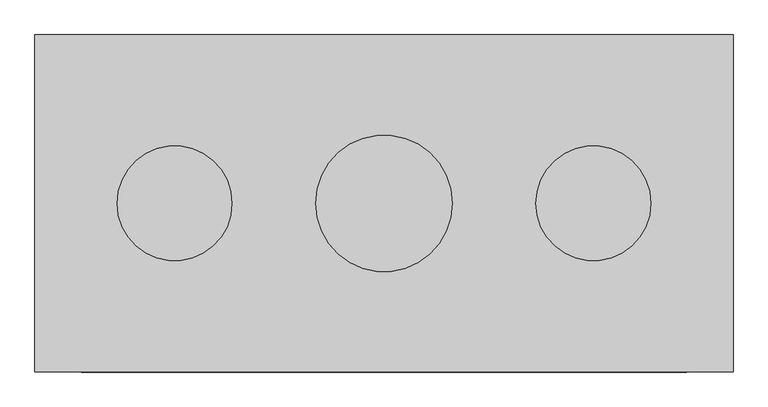
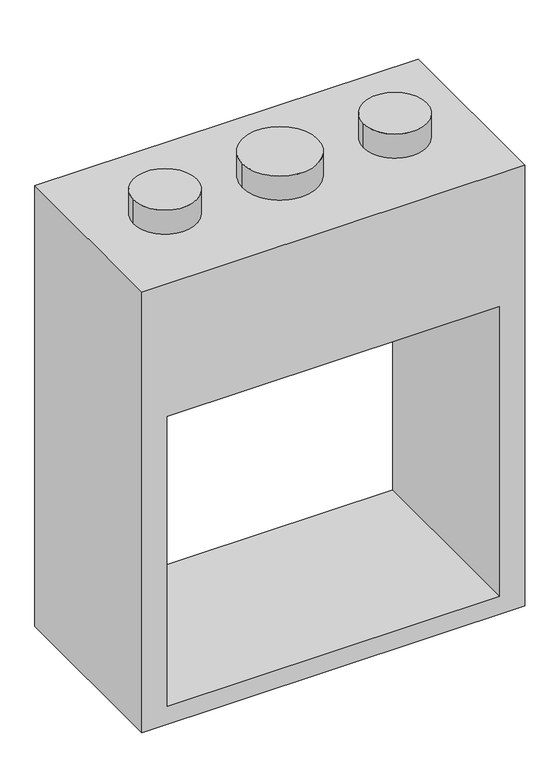
"""IFC4 building model written with IfcOpenShell, lengths in millimetres: proxy geometry."""

from ifc_helpers import new_model, si_unit, point, frame, frame_2d, origin, origin_2d, place, context, project, spatial, polyline, circle_curve, trimmed, segment, composite_curve, outline, extrude, source, transform, mapped, element, save


def generic_models_3b79a145(model_context):
    return source(origin(), model_context, "Body", "SweptSolid", [
        extrude(outline(polyline([(1854.2, 762.0), (1854.2, -762.0), (0.0, -762.0), (0.0, 762.0), (1854.2, 762.0)]), holes=[polyline([(1295.4, -660.4), (1295.4, 660.4), (76.2, 660.4), (76.2, -660.4), (1295.4, -660.4)])]), frame((0.0, -368.3, 0.0), z_axis=(0.0, 1.0, 0.0), x_axis=(0.0, 0.0, 1.0)), (0.0, 0.0, 1.0), 736.6),
        extrude(outline(composite_curve([segment(trimmed(circle_curve(frame_2d((-457.2, 0.0)), 125.4125), [point((-582.6125, 0.0))], [point((-331.7875, 0.0))], False, "CARTESIAN"), True, "CONTINUOUS"), segment(trimmed(circle_curve(frame_2d((-457.2, 0.0)), 125.4125), [point((-331.7875, 0.0))], [point((-582.6125, 0.0))], False, "CARTESIAN"), True, "CONTINUOUS")], self_intersect=False)), frame((0.0, 0.0, 1854.2), z_axis=(0.0, 0.0, 1.0), x_axis=(1.0, 0.0, 0.0)), (0.0, 0.0, 1.0), 101.6),
        extrude(outline(composite_curve([segment(trimmed(circle_curve(frame_2d((457.2, 0.0)), 125.4125), [point((331.7875, 0.0))], [point((582.6125, 0.0))], False, "CARTESIAN"), True, "CONTINUOUS"), segment(trimmed(circle_curve(frame_2d((457.2, 0.0)), 125.4125), [point((582.6125, 0.0))], [point((331.7875, 0.0))], False, "CARTESIAN"), True, "CONTINUOUS")], self_intersect=False)), frame((0.0, 0.0, 1854.2), z_axis=(0.0, 0.0, 1.0), x_axis=(1.0, 0.0, 0.0)), (0.0, 0.0, 1.0), 101.6),
        extrude(outline(composite_curve([segment(trimmed(circle_curve(origin_2d(), 149.225), [point((-149.225, 0.0))], [point((149.225, 0.0))], False, "CARTESIAN"), True, "CONTINUOUS"), segment(trimmed(circle_curve(origin_2d(), 149.225), [point((149.225, 0.0))], [point((-149.225, 0.0))], False, "CARTESIAN"), True, "CONTINUOUS")], self_intersect=False)), frame((0.0, 0.0, 1854.2), z_axis=(0.0, 0.0, 1.0), x_axis=(1.0, 0.0, 0.0)), (0.0, 0.0, 1.0), 101.6),
    ])


if __name__ == "__main__":
    model = new_model("IFC4")
    model_context = context("Model", 3, world=origin())
    ifc_project = project(units=[si_unit("LENGTHUNIT", "METRE", prefix="MILLI")], contexts=[model_context])
    site = spatial("IfcSite", under=ifc_project)
    building = spatial("IfcBuilding", under=site)
    placement = place(None, origin())
    generic_models_shape = generic_models_3b79a145(model_context)
    element("IfcBuildingElementProxy", 1, Name="Generic Models", at=placement, inside=building, context=model_context, shape_type="MappedRepresentation", body=[
        mapped(generic_models_shape, transform((0.0, 0.0, 0.0), x_axis=(1.0, 0.0, 0.0), y_axis=(0.0, 1.0, 0.0), z_axis=(0.0, 0.0, 1.0))),
    ])
    save(model, "model.ifc")
